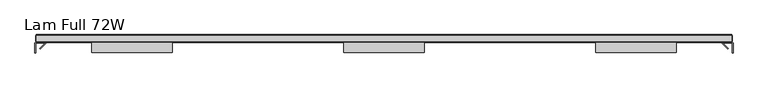
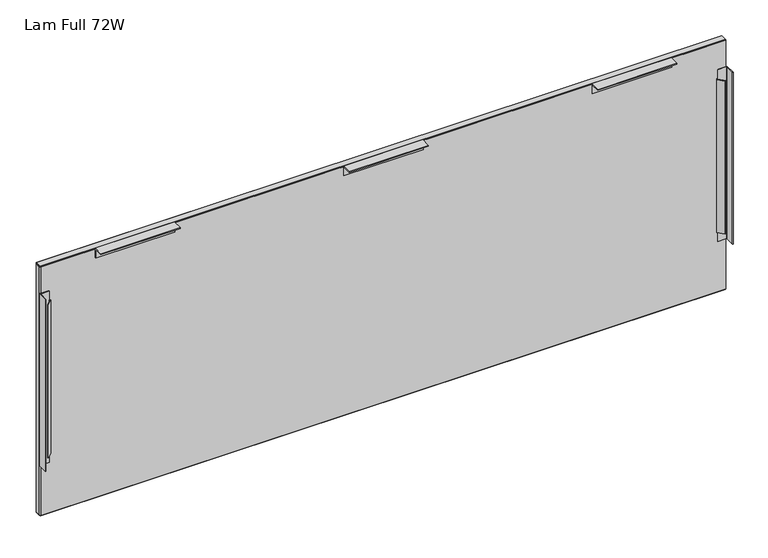
"""IFC4 building model written with IfcOpenShell, lengths in millimetres: furniture geometry, Lam Full 72W."""

from ifc_helpers import new_model, si_unit, frame, origin, place, context, project, spatial, polyline, outline, extrude, faceted_brep, source, transform, mapped, element, save


def lam_full_72w_10d5025e(model_context):
    return source(origin(), model_context, "Body", "SolidModel", [
        extrude(outline(polyline([(1599.1306631, -16.8598849), (1585.1860201, -3.040911), (1586.4375425, 0.0), (1588.2829551, 0.0), (1588.2829551, -1.7927541), (1587.7525785, -3.0812474), (1600.3821855, -15.5969715), (1599.1306631, -16.8598849)])), frame((0.0, 0.0, 192.8876121), z_axis=(0.0, 0.0, 1.0), x_axis=(1.0, 0.0, 0.0)), (0.0, 0.0, 1.0), 415.5693729),
        extrude(outline(polyline([(-139.6776634, -15.5969715), (-127.0481563, -3.0812474), (-127.5845289, -1.7780006), (-127.5845289, 0.0), (-125.7330613, 0.0), (-124.4815252, -3.040911), (-138.4261274, -16.8598849), (-139.6776634, -15.5969715)])), frame((0.0, 0.0, 192.8876121), z_axis=(0.0, 0.0, 1.0), x_axis=(1.0, 0.0, 0.0)), (0.0, 0.0, 1.0), 415.5693729),
        faceted_brep([(-148.5917905, 19.3039992, 29.4386), (-150.6237908, 17.2719989, 29.4386), (-150.6237908, 2.0319981, 29.4386), (-148.5917927, 0.0, 29.4386), (1609.2914111, 0.0, 29.4386), (1611.3234092, 2.0319981, 29.4386), (1611.3234092, 17.2708384, 29.4386), (1609.2902484, 19.3039992, 29.4386), (-148.5917905, 17.2719989, 27.4066), (1609.2902484, 17.2719989, 27.4066), (1609.2902484, 2.0319981, 27.4066), (-148.5917905, 2.0319981, 27.4066)], [[[0, 1, 2, 3, 4, 5, 6, 7]], [[8, 9, 10, 11]], [[1, 0, 8]], [[8, 11, 2, 1]], [[3, 2, 11]], [[11, 10, 4, 3]], [[5, 4, 10]], [[10, 9, 6, 5]], [[7, 6, 9]], [[9, 8, 0, 7]]]),
        extrude(outline(polyline([(1609.2902484, 19.3039992), (1611.3234092, 17.2708384), (1611.3234092, 2.0319981), (1609.2914111, 0.0), (-148.5917927, 0.0), (-150.6237908, 2.0319981), (-150.6237908, 17.2719989), (-148.5917905, 19.3039992), (1609.2902484, 19.3039992)])), frame((0.0, 0.0, 29.4386), z_axis=(0.0, 0.0, 1.0), x_axis=(1.0, 0.0, 0.0)), (0.0, 0.0, 1.0), 675.5384019),
        faceted_brep([(-148.5917905, 17.2719989, 707.009), (-148.5917905, 2.0319981, 707.009), (1609.2902484, 2.0319981, 707.009), (1609.2902484, 17.2719989, 707.009), (-150.6237908, 17.2719989, 704.9770019), (-148.5917905, 19.3039992, 704.9770019), (1609.2902484, 19.3039992, 704.9770019), (1611.3234092, 17.2708384, 704.9770019), (1611.3234092, 2.0319981, 704.9770019), (1609.2914111, 0.0, 704.9770019), (-148.5917927, 0.0, 704.9770019), (-150.6237908, 2.0319981, 704.9770019)], [[[0, 1, 2, 3]], [[4, 5, 6, 7, 8, 9, 10, 11]], [[4, 11, 1, 0]], [[11, 10, 1]], [[10, 9, 2, 1]], [[9, 8, 2]], [[8, 7, 3, 2]], [[7, 6, 3]], [[6, 5, 0, 3]], [[5, 4, 0]]]),
        extrude(outline(polyline([(-25.4000023, 707.009), (0.0, 707.009), (0.0, 681.6089516), (-1.7780006, 681.6089516), (-1.7780006, 705.2309835), (-25.4000023, 705.2309835), (-25.4000023, 707.009)])), frame((1266.3902, 0.0, 0.0), z_axis=(1.0, 0.0, 0.0), x_axis=(0.0, 1.0, 0.0)), (0.0, 0.0, 1.0), 203.2),
        extrude(outline(polyline([(-25.4000023, 707.009), (0.0, 707.009), (0.0, 681.6089516), (-1.7780006, 681.6089516), (-1.7780006, 705.2309835), (-25.4000023, 705.2309835), (-25.4000023, 707.009)])), frame((628.7528519, 0.0, 0.0), z_axis=(1.0, 0.0, 0.0), x_axis=(0.0, 1.0, 0.0)), (0.0, 0.0, 1.0), 203.1939146),
        extrude(outline(polyline([(-25.4000023, 707.009), (0.0, 707.009), (0.0, 681.6089516), (-1.7780006, 681.6089516), (-1.7780006, 705.2309835), (-25.4000023, 705.2309835), (-25.4000023, 707.009)])), frame((-8.8917874, 0.0, 0.0), z_axis=(1.0, 0.0, 0.0), x_axis=(0.0, 1.0, 0.0)), (0.0, 0.0, 1.0), 203.2),
        extrude(outline(polyline([(-150.6250603, 0.0), (-127.5845289, 0.0), (-127.5845289, -1.7780006), (-149.863061, -1.7780006), (-150.6237908, -2.5387327), (-150.6237908, -26.9240008), (-152.4030608, -26.9240008), (-152.4030608, -1.7780006), (-150.6250603, 0.0)])), frame((0.0, 0.0, 167.4876), z_axis=(0.0, 0.0, 1.0), x_axis=(1.0, 0.0, 0.0)), (0.0, 0.0, 1.0), 466.3693971),
        extrude(outline(polyline([(1611.3294824, 0.0), (1613.1075716, -1.7780006), (1613.1075716, -26.9240008), (1611.3234092, -26.9240008), (1611.3234092, -2.5400021), (1610.5613918, -1.7780006), (1588.2829551, -1.7780006), (1588.2829551, 0.0), (1611.3294824, 0.0)])), frame((0.0, 0.0, 167.4876), z_axis=(0.0, 0.0, 1.0), x_axis=(1.0, 0.0, 0.0)), (0.0, 0.0, 1.0), 466.3693971),
    ])


if __name__ == "__main__":
    model = new_model("IFC4")
    model_context = context("Model", 3, world=origin())
    ifc_project = project(units=[si_unit("LENGTHUNIT", "METRE", prefix="MILLI")], contexts=[model_context])
    site = spatial("IfcSite", under=ifc_project)
    building = spatial("IfcBuilding", under=site)
    placement = place(None, origin())
    lam_full_72w_shape = lam_full_72w_10d5025e(model_context)
    element("IfcFurniture", 1, ObjectType="Lam Full 72W", at=placement, inside=building, context=model_context, shape_type="MappedRepresentation", body=[
        mapped(lam_full_72w_shape, transform((0.0, 0.0, 0.0), x_axis=(1.0, 0.0, 0.0), y_axis=(0.0, 1.0, 0.0), z_axis=(0.0, 0.0, 1.0))),
    ])
    save(model, "model.ifc")
